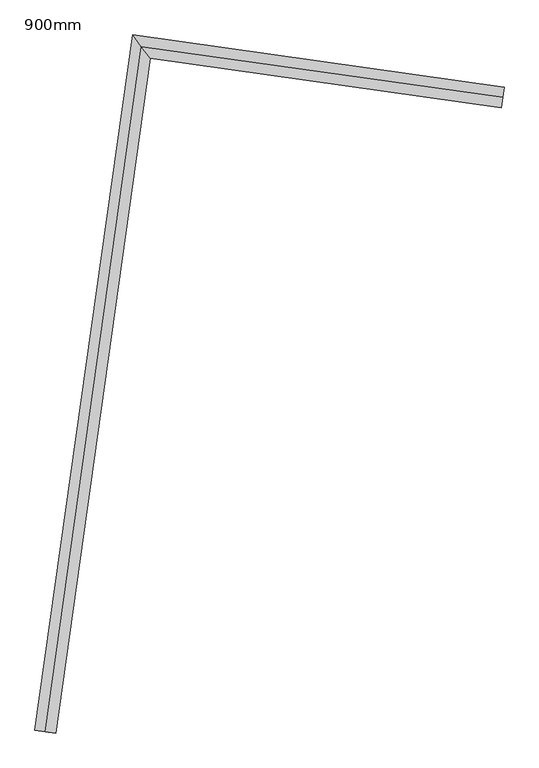
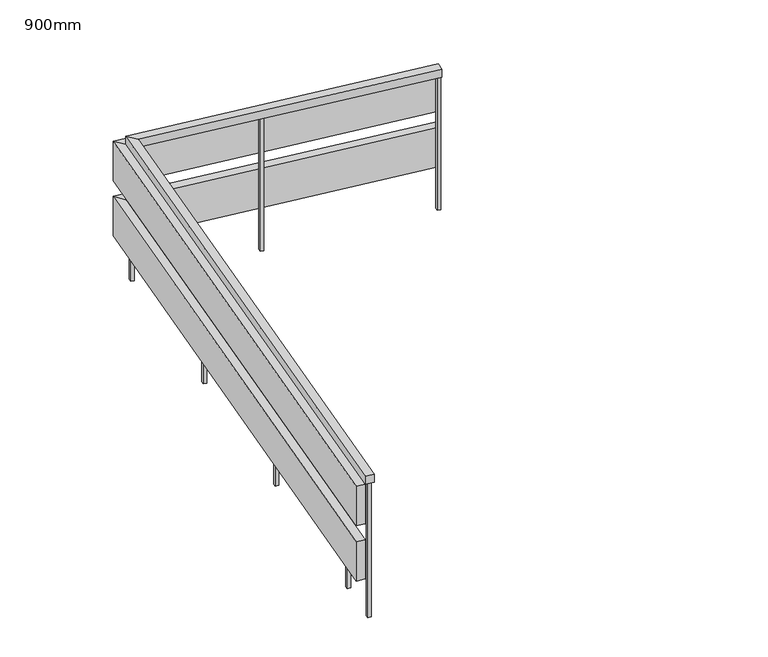
"""IFC4 building model written with IfcOpenShell, lengths in millimetres: railing geometry, 900mm."""

from ifc_helpers import new_model, si_unit, frame, origin, place, context, project, spatial, polyline, outline, extrude, faceted_brep, source, transform, mapped, element, save


def railing_900mm_4f6c5039(model_context):
    return source(origin(), model_context, "Body", "SolidModel", [
        faceted_brep([(-11189.3768839, 11031.5386803, 4200.0), (-11189.3768839, 11031.5386803, 4150.0), (-11182.4182289, 11081.0520838, 4150.0), (-11182.4182289, 11081.0520838, 4200.0), (-12872.4680291, 11268.0817148, 4200.0), (-12872.4680291, 11268.0817148, 4150.0), (-12915.0227775, 11324.5537733, 4150.0), (-12915.0227775, 11324.5537733, 4200.0), (-13327.3329815, 8031.5494044, 4200.0), (-13376.846385, 8038.5080594, 4200.0), (-13376.846385, 8038.5080594, 4150.0), (-13327.3329815, 8031.5494044, 4150.0)], [[[0, 1, 2, 3]], [[1, 0, 4, 5]], [[2, 1, 5, 6]], [[3, 2, 6, 7]], [[0, 3, 7, 4]], [[8, 9, 10, 11]], [[5, 4, 8, 11]], [[6, 5, 11, 10]], [[7, 6, 10, 9]], [[4, 7, 9, 8]]]),
        faceted_brep([(-11182.4182289, 11081.0520838, 4150.0), (-11182.4182289, 11081.0520838, 3900.0), (-11175.4595738, 11130.5654872, 3900.0), (-11175.4595738, 11130.5654872, 4150.0), (-12915.0227775, 11324.5537733, 4150.0), (-12915.0227775, 11324.5537733, 3900.0), (-12957.5775259, 11381.0258317, 3900.0), (-12957.5775259, 11381.0258317, 4150.0), (-13376.846385, 8038.5080594, 4150.0), (-13426.3597884, 8045.4667145, 4150.0), (-13426.3597884, 8045.4667145, 3900.0), (-13376.846385, 8038.5080594, 3900.0)], [[[0, 1, 2, 3]], [[1, 0, 4, 5]], [[2, 1, 5, 6]], [[3, 2, 6, 7]], [[0, 3, 7, 4]], [[8, 9, 10, 11]], [[5, 4, 8, 11]], [[6, 5, 11, 10]], [[7, 6, 10, 9]], [[4, 7, 9, 8]]]),
        faceted_brep([(-11182.4182289, 11081.0520838, 3800.0), (-11182.4182289, 11081.0520838, 3550.0), (-11175.4595738, 11130.5654872, 3550.0), (-11175.4595738, 11130.5654872, 3800.0), (-12915.0227775, 11324.5537733, 3800.0), (-12915.0227775, 11324.5537733, 3550.0), (-12957.5775259, 11381.0258317, 3550.0), (-12957.5775259, 11381.0258317, 3800.0), (-13376.846385, 8038.5080594, 3800.0), (-13426.3597884, 8045.4667145, 3800.0), (-13426.3597884, 8045.4667145, 3550.0), (-13376.846385, 8038.5080594, 3550.0)], [[[0, 1, 2, 3]], [[1, 0, 4, 5]], [[2, 1, 5, 6]], [[3, 2, 6, 7]], [[0, 3, 7, 4]], [[8, 9, 10, 11]], [[5, 4, 8, 11]], [[6, 5, 11, 10]], [[7, 6, 10, 9]], [[4, 7, 9, 8]]]),
        extrude(outline(polyline([(-13299.9702945, 8334.0244875), (-13302.7537565, 8314.2191261), (-13322.5591179, 8317.0025881), (-13319.7756558, 8336.8079495), (-13299.9702945, 8334.0244875)])), frame((0.0, 0.0, 3300.0), z_axis=(0.0, 0.0, 1.0), x_axis=(1.0, 0.0, 0.0)), (0.0, 0.0, 1.0), 850.0),
        extrude(outline(polyline([(-13160.7971935, 9324.2925562), (-13163.5806555, 9304.4871948), (-13183.3860169, 9307.2706568), (-13180.6025549, 9327.0760182), (-13160.7971935, 9324.2925562)])), frame((0.0, 0.0, 3300.0), z_axis=(0.0, 0.0, 1.0), x_axis=(1.0, 0.0, 0.0)), (0.0, 0.0, 1.0), 850.0),
        extrude(outline(polyline([(-13021.6240926, 10314.5606249), (-13024.4075546, 10294.7552636), (-13044.2129159, 10297.5387256), (-13041.4294539, 10317.344087), (-13021.6240926, 10314.5606249)])), frame((0.0, 0.0, 3300.0), z_axis=(0.0, 0.0, 1.0), x_axis=(1.0, 0.0, 0.0)), (0.0, 0.0, 1.0), 850.0),
        extrude(outline(polyline([(-12167.6546755, 11184.1740713), (-12187.4600368, 11186.9575333), (-12184.6765748, 11206.7628947), (-12164.8712134, 11203.9794327), (-12167.6546755, 11184.1740713)])), frame((0.0, 0.0, 3300.0), z_axis=(0.0, 0.0, 1.0), x_axis=(1.0, 0.0, 0.0)), (0.0, 0.0, 1.0), 850.0),
        extrude(outline(polyline([(-12885.2344536, 11285.0233323), (-12905.039815, 11287.8067943), (-12902.256353, 11307.6121557), (-12882.4509916, 11304.8286937), (-12885.2344536, 11285.0233323)])), frame((0.0, 0.0, 3300.0), z_axis=(0.0, 0.0, 1.0), x_axis=(1.0, 0.0, 0.0)), (0.0, 0.0, 1.0), 850.0),
        extrude(outline(polyline([(-13339.4035406, 8053.4423622), (-13342.1870026, 8033.6370009), (-13361.9923639, 8036.4204629), (-13359.2089019, 8056.2258243), (-13339.4035406, 8053.4423622)])), frame((0.0, 0.0, 3300.0), z_axis=(0.0, 0.0, 1.0), x_axis=(1.0, 0.0, 0.0)), (0.0, 0.0, 1.0), 850.0),
        extrude(outline(polyline([(-11187.2892874, 11046.3927014), (-11207.0946488, 11049.1761634), (-11204.3111868, 11068.9815248), (-11184.5058254, 11066.1980627), (-11187.2892874, 11046.3927014)])), frame((0.0, 0.0, 3300.0), z_axis=(0.0, 0.0, 1.0), x_axis=(1.0, 0.0, 0.0)), (0.0, 0.0, 1.0), 850.0),
    ])


if __name__ == "__main__":
    model = new_model("IFC4")
    model_context = context("Model", 3, world=origin())
    ifc_project = project(units=[si_unit("LENGTHUNIT", "METRE", prefix="MILLI")], contexts=[model_context])
    site = spatial("IfcSite", under=ifc_project)
    building = spatial("IfcBuilding", under=site)
    placement = place(None, origin())
    railing_900mm_shape = railing_900mm_4f6c5039(model_context)
    element("IfcRailing", 1, ObjectType="900mm", at=placement, inside=building, context=model_context, shape_type="MappedRepresentation", body=[
        mapped(railing_900mm_shape, transform((0.0, 0.0, 0.0), x_axis=(1.0, 0.0, 0.0), y_axis=(0.0, 1.0, 0.0), z_axis=(0.0, 0.0, 1.0))),
    ])
    save(model, "model.ifc")
